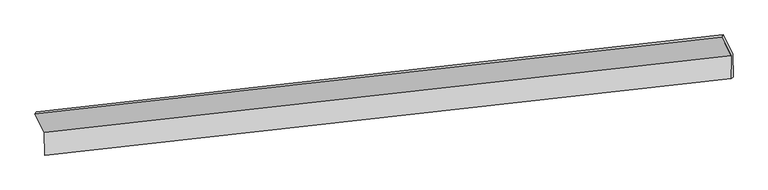
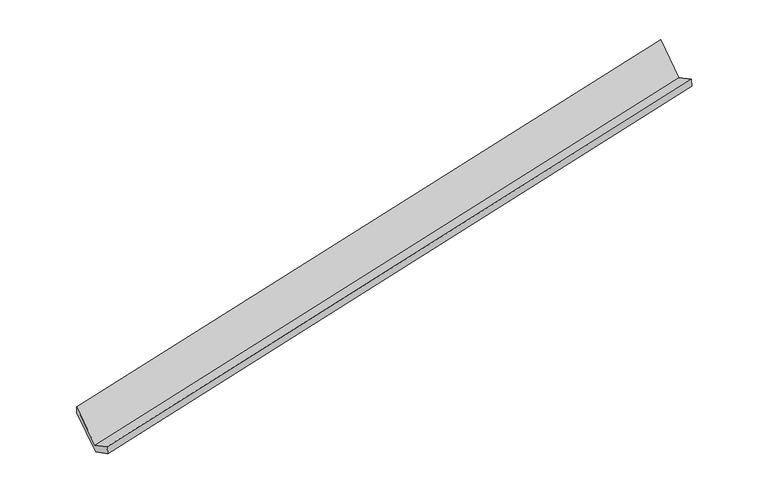
"""IFC4 building model written with IfcOpenShell, lengths in millimetres: proxy geometry."""

import ifcopenshell
import ifcopenshell.guid

model = None  # the IFC model being written
_history = None  # IfcOwnerHistory: only IFC2X3 demands one
_inside = {}  # id of a spatial element -> (the spatial element, [elements in it])
_under = {}  # id of a project, library or spatial element -> (it, [spatial elements below it])
_declared = {}  # id of a project -> (the project, [libraries it declares])
_typed = {}  # id of a type object -> (the type object, [elements of that type])
_made_of = {}  # id of a material, layer set ... -> (it, [elements and type objects made of it])


def new_model(schema):
    """Start an empty IFC model of exactly this schema.

    Asked for "IFC4X3", IfcOpenShell would pick the latest addendum, in which some entities
    have other attributes; the version numbers below select the first issue.
    IFC2X3 requires an IfcOwnerHistory on every rooted entity: one is made here for all.
    """
    global model, _history
    if schema == "IFC4X3":
        model = ifcopenshell.file(schema_version=(4, 3, 0, 0))
    else:
        model = ifcopenshell.file(schema=schema)
    _inside.clear()
    _under.clear()
    _declared.clear()
    _typed.clear()
    _made_of.clear()
    _history = None
    if model.schema == "IFC2X3":
        org = make("IfcOrganization", Name="unknown")
        user = make(
            "IfcPersonAndOrganization",
            ThePerson=make("IfcPerson", FamilyName="unknown"),
            TheOrganization=org,
        )
        app = make(
            "IfcApplication",
            ApplicationDeveloper=org,
            Version="unknown",
            ApplicationFullName="unknown",
            ApplicationIdentifier="unknown",
        )
        _history = make(
            "IfcOwnerHistory",
            OwningUser=user,
            OwningApplication=app,
            ChangeAction="ADDED",
            CreationDate=0,
        )
    return model


def make(cls, **values):
    """One entity of the class cls with the attributes given. An attribute that is None is left unset."""
    return model.create_entity(
        cls, **{name: value for name, value in values.items() if value is not None}
    )


def rooted(cls, **values):
    """An entity with a GlobalId (a new one), such as an element, a storey or a relation."""
    return make(cls, GlobalId=ifcopenshell.guid.new(), OwnerHistory=_history, **values)


def si_unit(unit_type, name, prefix=None):
    """IfcSIUnit, for example si_unit("LENGTHUNIT", "METRE", prefix="MILLI")."""
    return make("IfcSIUnit", UnitType=unit_type, Prefix=prefix, Name=name)


def assignment(units):
    """IfcUnitAssignment: the units of a project."""
    return None if units is None else make("IfcUnitAssignment", Units=units)


def point(xyz):
    """IfcCartesianPoint."""
    return None if xyz is None else make("IfcCartesianPoint", Coordinates=xyz)


def direction(xyz):
    """IfcDirection."""
    return None if xyz is None else make("IfcDirection", DirectionRatios=xyz)


def frame(location, z_axis=None, x_axis=None):
    """IfcAxis2Placement3D, a coordinate frame: its origin and axes. An axis left out is left unset."""
    return make(
        "IfcAxis2Placement3D",
        Location=point(location),
        Axis=direction(z_axis),
        RefDirection=direction(x_axis),
    )


def origin():
    """The frame at (0, 0, 0) with its axes left unset."""
    return frame((0.0, 0.0, 0.0))


def place(relative_to, where):
    """IfcLocalPlacement: puts the frame where relative to a parent placement (None: the world)."""
    return make(
        "IfcLocalPlacement", PlacementRelTo=relative_to, RelativePlacement=where
    )


def context(
    kind, dimensions, precision=None, world=None, true_north=None, identifier=None
):
    """IfcGeometricRepresentationContext, for example the 3D "Model" context."""
    return make(
        "IfcGeometricRepresentationContext",
        ContextIdentifier=identifier,
        ContextType=kind,
        CoordinateSpaceDimension=dimensions,
        Precision=precision,
        WorldCoordinateSystem=world,
        TrueNorth=true_north,
    )


def project(units=None, contexts=None):
    """IfcProject with its units and contexts."""
    return rooted(
        "IfcProject",
        Name="project",
        RepresentationContexts=contexts,
        UnitsInContext=assignment(units),
    )


def spatial(cls, under=None, at=None, **own):
    """A site, building, storey or space (cls), placed at a placement, below another one or the project."""
    s = rooted(cls, ObjectPlacement=at, **own)
    if under is not None:
        _under.setdefault(under.id(), (under, []))[1].append(s)
    return s


def faces_of(points, faces, orient=None, outer=None):
    """IfcFace entities. A face is a list of loops; a loop is a list of indices into points, from 0.

    orient and outer hold one flag for each loop. By default every Orientation is true, the
    first loop of a face is its IfcFaceOuterBound and the others are IfcFaceBound.
    """
    made = []
    for i, loops in enumerate(faces):
        bounds = []
        for j, loop in enumerate(loops):
            is_outer = j == 0 if outer is None else outer[i][j]
            bounds.append(
                make(
                    "IfcFaceOuterBound" if is_outer else "IfcFaceBound",
                    Bound=make("IfcPolyLoop", Polygon=[points[k] for k in loop]),
                    Orientation=True if orient is None else orient[i][j],
                )
            )
        made.append(make("IfcFace", Bounds=bounds))
    return made


def faceted_brep(points, faces, orient=None, outer=None, voids=None):
    """IfcFacetedBrep: a solid bounded by flat faces; with voids (closed shells), ...WithVoids."""
    shared = [point(p) for p in points]
    hull = make("IfcClosedShell", CfsFaces=faces_of(shared, faces, orient, outer))
    if voids is None:
        return make("IfcFacetedBrep", Outer=hull)
    return make(
        "IfcFacetedBrepWithVoids",
        Outer=hull,
        Voids=[
            make(cls, CfsFaces=faces_of(shared, fs, o, b)) for cls, fs, o, b in voids
        ],
    )


def shape(context_of_items, identifier, shape_type, items):
    """IfcShapeRepresentation: the items that make up one representation, for example the "Body"."""
    return make(
        "IfcShapeRepresentation",
        ContextOfItems=context_of_items,
        RepresentationIdentifier=identifier,
        RepresentationType=shape_type,
        Items=items,
    )


def source(mapping_origin, context_of_items, identifier, shape_type, items):
    """IfcRepresentationMap: a shape defined once, which mapped items show again and again."""
    return make(
        "IfcRepresentationMap",
        MappingOrigin=mapping_origin,
        MappedRepresentation=shape(context_of_items, identifier, shape_type, items),
    )


def transform(
    local_origin,
    x_axis=None,
    y_axis=None,
    z_axis=None,
    scale=None,
    scale2=None,
    scale3=None,
    uniform=True,
):
    """IfcCartesianTransformationOperator3D, or its non-uniform kind. x_axis, y_axis, z_axis: its Axis1, 2, 3."""
    if uniform:
        return make(
            "IfcCartesianTransformationOperator3D",
            Axis1=direction(x_axis),
            Axis2=direction(y_axis),
            LocalOrigin=point(local_origin),
            Scale=scale,
            Axis3=direction(z_axis),
        )
    return make(
        "IfcCartesianTransformationOperator3DnonUniform",
        Axis1=direction(x_axis),
        Axis2=direction(y_axis),
        LocalOrigin=point(local_origin),
        Scale=scale,
        Axis3=direction(z_axis),
        Scale2=scale2,
        Scale3=scale3,
    )


def mapped(mapping_source, mapping_target):
    """IfcMappedItem: shows the shape of a source again, moved by a transform."""
    return make(
        "IfcMappedItem", MappingSource=mapping_source, MappingTarget=mapping_target
    )


def made_of(thing, what):
    """Note that an element or type object is made of a material, layer set ...; save() writes the relation."""
    if what is not None:
        _made_of.setdefault(what.id(), (what, []))[1].append(thing)
    return thing


def element(
    cls,
    number,
    at=None,
    inside=None,
    cuts=None,
    type_object=None,
    material=None,
    context=None,
    identifier="Body",
    shape_type=None,
    held_by="IfcProductDefinitionShape",
    body=None,
    shapes=None,
    **own,
):
    """One element of the class cls, such as IfcWall. Its Tag is "e" and its number.

    at: its placement. inside: the storey or other place that contains it. cuts: it is an
    opening in that element (IfcRelVoidsElement). A single representation is given by context,
    identifier, shape_type and body (its items); several are given by shapes. held_by: the class
    of the entity that holds the representations. save() writes the other relations.
    """
    e = rooted(cls, Tag="e%d" % number, ObjectPlacement=at, **own)
    if body is not None:
        shapes = [shape(context, identifier, shape_type, body)]
    if shapes is not None:
        e.Representation = make(held_by, Representations=shapes)
    if inside is not None:
        _inside.setdefault(inside.id(), (inside, []))[1].append(e)
    if cuts is not None:
        rooted(
            "IfcRelVoidsElement", RelatingBuildingElement=cuts, RelatedOpeningElement=e
        )
    if type_object is not None:
        _typed.setdefault(type_object.id(), (type_object, []))[1].append(e)
    return made_of(e, material)


def aggregate(whole, parts):
    """IfcRelAggregates: a whole, such as a stair, and the parts it consists of."""
    return rooted("IfcRelAggregates", RelatingObject=whole, RelatedObjects=parts)


def save(model, path):
    """Write the relations noted so far, then the file.

    IfcRelAggregates (storeys below a building ...), IfcRelContainedInSpatialStructure (elements
    in a storey), IfcRelDefinesByType, IfcRelAssociatesMaterial and IfcRelDeclares: one each for
    every whole, place, type object, material and project.
    """
    for whole, parts in _under.values():
        aggregate(whole, parts)
    for where, things in _inside.values():
        rooted(
            "IfcRelContainedInSpatialStructure",
            RelatedElements=things,
            RelatingStructure=where,
        )
    for kind, things in _typed.values():
        rooted("IfcRelDefinesByType", RelatedObjects=things, RelatingType=kind)
    for what, things in _made_of.values():
        rooted("IfcRelAssociatesMaterial", RelatedObjects=things, RelatingMaterial=what)
    for by, libraries in _declared.values():
        rooted("IfcRelDeclares", RelatingContext=by, RelatedDefinitions=libraries)
    model.write(path)


def generic_models_41bb9d62(model_context):
    return source(origin(), model_context, "Body", "Brep", [
        faceted_brep([(-8748.1708458, -2163.6409149, 518.721191), (-8745.0388419, -2554.0699786, 719.5018749), (3107.2355002, -1231.7816597, 3149.6124026), (3104.032159, -832.4598386, 2944.2585604), (-8714.6673876, -2524.1798247, 553.6804378), (3137.6069544, -1201.8915058, 2983.7909656), (-8717.8183305, -2131.3898682, 351.6856495), (3134.3846743, -800.2087919, 2777.2230189), (-8884.9771326, -1803.5763453, 991.744575), (2967.2258722, -472.395269, 3417.2819445), (-8912.1233944, -1842.1151449, 1146.503221), (2940.0796104, -510.9340686, 3572.0405905)], [[[0, 1, 2, 3]], [[1, 4, 5, 2]], [[4, 6, 7, 5]], [[6, 8, 9, 7]], [[8, 10, 11, 9]], [[10, 0, 3, 11]], [[9, 11, 3, 2, 5, 7]], [[0, 10, 8, 6, 4, 1]]]),
    ])


if __name__ == "__main__":
    model = new_model("IFC4")
    model_context = context("Model", 3, world=origin())
    ifc_project = project(units=[si_unit("LENGTHUNIT", "METRE", prefix="MILLI")], contexts=[model_context])
    site = spatial("IfcSite", under=ifc_project)
    building = spatial("IfcBuilding", under=site)
    placement = place(None, origin())
    generic_models_shape = generic_models_41bb9d62(model_context)
    element("IfcBuildingElementProxy", 1, Name="Generic Models", at=placement, inside=building, context=model_context, shape_type="MappedRepresentation", body=[
        mapped(generic_models_shape, transform((0.0, 0.0, 0.0), x_axis=(1.0, 0.0, 0.0), y_axis=(0.0, 1.0, 0.0), z_axis=(0.0, 0.0, 1.0))),
    ])
    save(model, "model.ifc")
